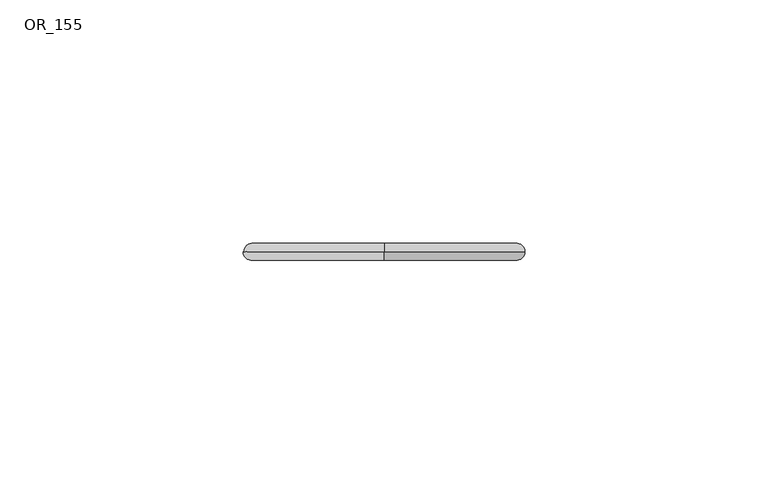
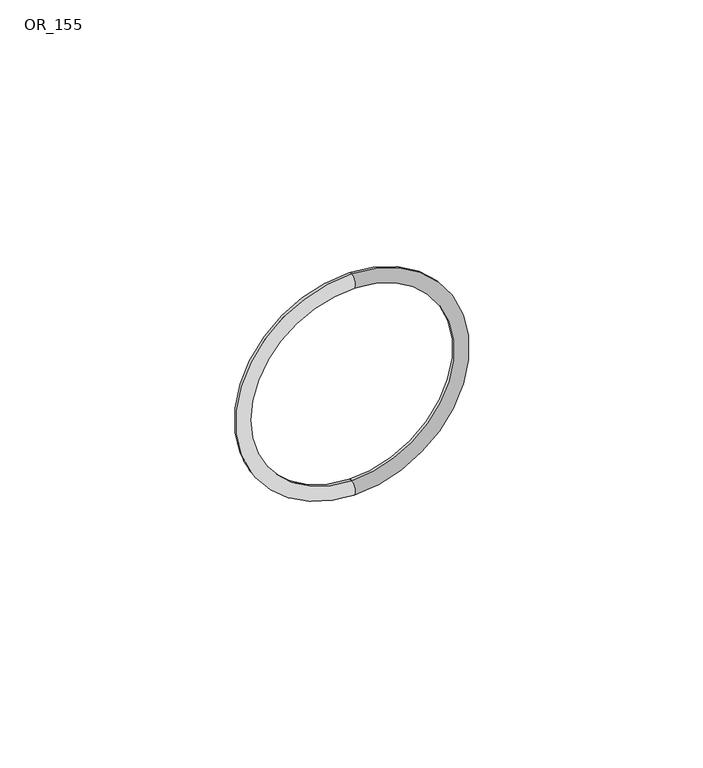
"""IFC4 building model written with IfcOpenShell, lengths in millimetres: proxy geometry, OR_155."""

from ifc_helpers import new_model, si_unit, point, frame, origin, place, context, project, spatial, circle_curve, ellipse_curve, trimmed, source, transform, mapped, element, save
from ifc_brep_helpers import revolved_surface, advanced_brep


def or_155_a76d6212(model_context):
    return source(origin(), model_context, "Body", "AdvancedBrep", [
        advanced_brep(
        [(0.0, 0.0, -29.03), (0.0, 0.0, 29.03), (0.0, 0.0, 25.5), (0.0, 0.0, -25.5)],
        [
            (0, 1, circle_curve(frame((0.0, 0.0, 0.0), z_axis=(0.0, 1.0, 0.0), x_axis=(0.0, 0.0, -1.0)), 29.03)),
            (1, 2, circle_curve(frame((0.0, 0.0, 27.265), z_axis=(-1.0, 0.0, 0.0), x_axis=(0.0, 0.0, 1.0)), 1.765)),
            (2, 3, circle_curve(frame((0.0, 0.0, 0.0), z_axis=(0.0, -1.0, 0.0), x_axis=(0.0, 0.0, -1.0)), 25.5)),
            (3, 0, circle_curve(frame((0.0, 0.0, -27.265), z_axis=(-1.0, 0.0, 0.0), x_axis=(0.0, 0.0, -1.0)), 1.765)),
            (1, 0, circle_curve(frame((0.0, 0.0, 0.0), z_axis=(0.0, 1.0, 0.0), x_axis=(0.0, 0.0, 1.0)), 29.03)),
            (3, 2, circle_curve(frame((0.0, 0.0, 0.0), z_axis=(0.0, -1.0, 0.0), x_axis=(0.0, 0.0, 1.0)), 25.5)),
            (1, 2, circle_curve(frame((0.0, 0.0, 27.265), z_axis=(1.0, 0.0, 0.0), x_axis=(0.0, 0.0, 1.0)), 1.765)),
            (3, 0, circle_curve(frame((0.0, 0.0, -27.265), z_axis=(1.0, 0.0, 0.0), x_axis=(0.0, 0.0, -1.0)), 1.765)),
        ],
        [
            revolved_surface(trimmed(ellipse_curve(frame((0.0, 0.0, -27.265), z_axis=(1.0, 0.0, 0.0), x_axis=(0.0, 0.0, -1.0)), 1.765, 1.765), [point((0.0, 0.0, -29.03))], [point((0.0, 0.0, -25.5))], True, "CARTESIAN"), (0.0, 0.0, 0.0), (0.0, 1.0, 0.0)),
            revolved_surface(trimmed(ellipse_curve(frame((0.0, 0.0, 27.265), z_axis=(-1.0, 0.0, 0.0), x_axis=(0.0, 0.0, 1.0)), 1.765, 1.765), [point((0.0, 0.0, 29.03))], [point((0.0, 0.0, 25.5))], True, "CARTESIAN"), (0.0, 0.0, 0.0), (0.0, 1.0, 0.0)),
            revolved_surface(trimmed(ellipse_curve(frame((0.0, 0.0, 27.265), z_axis=(-1.0, 0.0, 0.0), x_axis=(0.0, 0.0, 1.0)), 1.765, 1.765), [point((0.0, 0.0, 25.5))], [point((0.0, 0.0, 29.03))], True, "CARTESIAN"), (0.0, 0.0, 0.0), (0.0, 1.0, 0.0)),
            revolved_surface(trimmed(ellipse_curve(frame((0.0, 0.0, -27.265), z_axis=(1.0, 0.0, 0.0), x_axis=(0.0, 0.0, -1.0)), 1.765, 1.765), [point((0.0, 0.0, -25.5))], [point((0.0, 0.0, -29.03))], True, "CARTESIAN"), (0.0, 0.0, 0.0), (0.0, 1.0, 0.0)),
        ],
        [
            (0, [[1, 2, 3, 4]]),
            (1, [[5, -4, 6, -2]]),
            (2, [[-5, 7, -6, 8]]),
            (3, [[-1, -8, -3, -7]]),
        ],
    ),
    ])


if __name__ == "__main__":
    model = new_model("IFC4")
    model_context = context("Model", 3, world=origin())
    ifc_project = project(units=[si_unit("LENGTHUNIT", "METRE", prefix="MILLI")], contexts=[model_context])
    site = spatial("IfcSite", under=ifc_project)
    building = spatial("IfcBuilding", under=site)
    placement = place(None, origin())
    or_155_shape = or_155_a76d6212(model_context)
    element("IfcBuildingElementProxy", 1, Name="OR_155", ObjectType="OR_155", at=placement, inside=building, context=model_context, shape_type="MappedRepresentation", body=[
        mapped(or_155_shape, transform((0.0, 0.0, 0.0), x_axis=(1.0, 0.0, 0.0), y_axis=(0.0, 1.0, 0.0), z_axis=(0.0, 0.0, 1.0))),
    ])
    save(model, "model.ifc")
